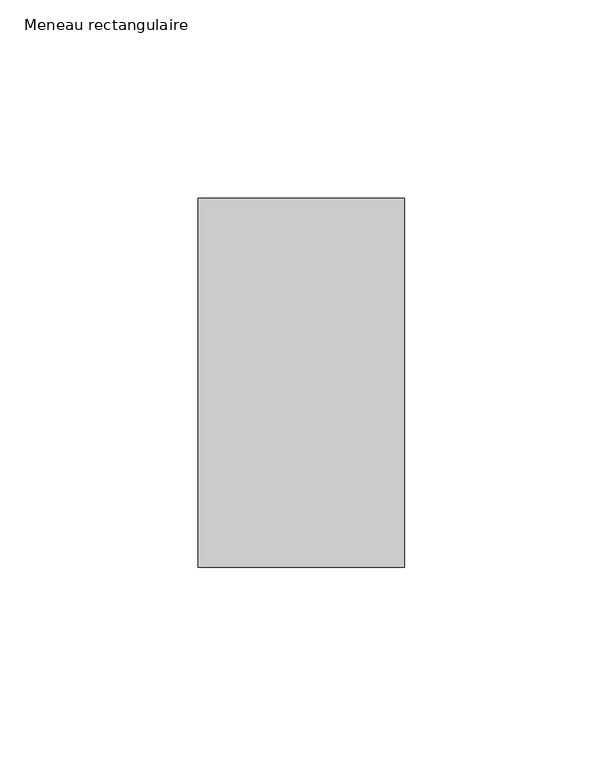
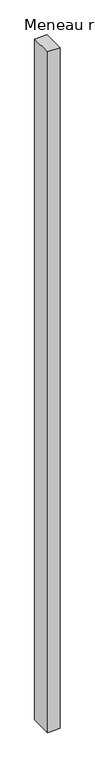
"""IFC4 building model written with IfcOpenShell, lengths in millimetres: member geometry, Meneau rectangulaire."""

from ifc_helpers import new_model, si_unit, frame, origin, place, context, project, spatial, polyline, outline, extrude, source, transform, mapped, element, save


def meneau_rectangulaire_05f06250(model_context):
    return source(origin(), model_context, "Body", "SweptSolid", [
        extrude(outline(polyline([(0.0, 46.5), (0.0, -46.5), (-52.0, -46.5), (-52.0, 46.5), (0.0, 46.5)])), frame((0.0, 0.0, -3000.0), z_axis=(0.0, 0.0, 1.0), x_axis=(1.0, 0.0, 0.0)), (0.0, 0.0, 1.0), 3000.0),
    ])


if __name__ == "__main__":
    model = new_model("IFC4")
    model_context = context("Model", 3, world=origin())
    ifc_project = project(units=[si_unit("LENGTHUNIT", "METRE", prefix="MILLI")], contexts=[model_context])
    site = spatial("IfcSite", under=ifc_project)
    building = spatial("IfcBuilding", under=site)
    placement = place(None, origin())
    meneau_rectangulaire_shape = meneau_rectangulaire_05f06250(model_context)
    element("IfcMember", 1, ObjectType="Meneau rectangulaire", at=placement, inside=building, context=model_context, shape_type="MappedRepresentation", body=[
        mapped(meneau_rectangulaire_shape, transform((0.0, 0.0, 0.0), x_axis=(1.0, 0.0, 0.0), y_axis=(0.0, 1.0, 0.0), z_axis=(0.0, 0.0, 1.0))),
    ])
    save(model, "model.ifc")
